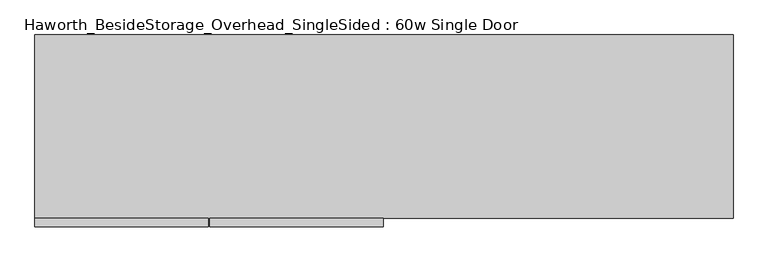
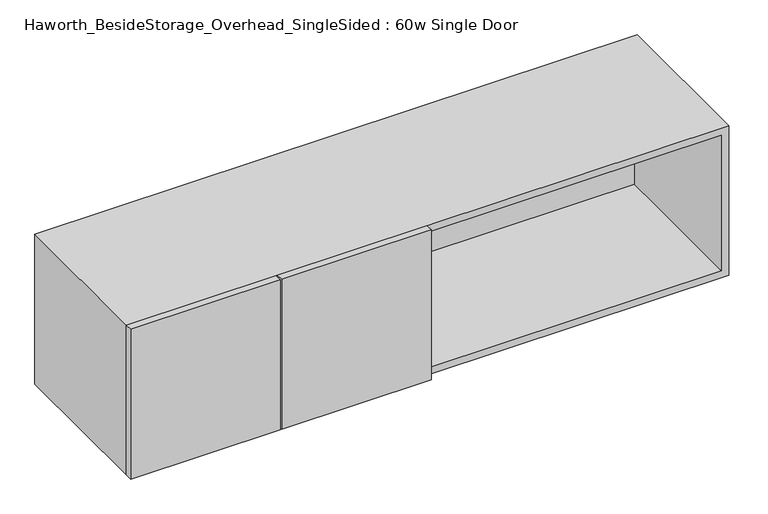
"""IFC4 building model written with IfcOpenShell, lengths in millimetres: furniture geometry, Haworth_BesideStorage_Overhead_SingleSided : 60w Single Door."""

from ifc_helpers import new_model, si_unit, frame, origin, place, context, project, spatial, polyline, outline, extrude, source, transform, mapped, element, save


def haworth_besidestorage_overhead_singlesided_60w_single_door_8c02ebce(model_context):
    return source(origin(), model_context, "Body", "SweptSolid", [
        extrude(outline(polyline([(-215.10625, -419.1), (-215.10625, -400.05), (163.5125, -400.05), (163.5125, -419.1), (-215.10625, -419.1)])), frame((0.0, 0.0, 762.0), z_axis=(0.0, 0.0, 1.0), x_axis=(1.0, 0.0, 0.0)), (0.0, 0.0, 1.0), 400.05),
        extrude(outline(polyline([(-218.28125, -419.1), (-596.9, -419.1), (-596.9, -400.05), (-218.28125, -400.05), (-218.28125, -419.1)])), frame((0.0, 0.0, 762.0), z_axis=(0.0, 0.0, 1.0), x_axis=(1.0, 0.0, 0.0)), (0.0, 0.0, 1.0), 400.05),
        extrude(outline(polyline([(174.625, -400.05), (155.575, -400.05), (155.575, -19.05), (174.625, -19.05), (174.625, -400.05)])), frame((0.0, 0.0, 781.05), z_axis=(0.0, 0.0, 1.0), x_axis=(1.0, 0.0, 0.0)), (0.0, 0.0, 1.0), 361.95),
        extrude(outline(polyline([(908.05, -19.05), (-577.85, -19.05), (-577.85, 0.0), (908.05, 0.0), (908.05, -19.05)])), frame((0.0, 0.0, 781.05), z_axis=(0.0, 0.0, 1.0), x_axis=(1.0, 0.0, 0.0)), (0.0, 0.0, 1.0), 361.95),
        extrude(outline(polyline([(762.0, 927.1), (1162.05, 927.1), (1162.05, -596.9), (762.0, -596.9), (762.0, 927.1)]), holes=[polyline([(1143.0, 908.05), (781.05, 908.05), (781.05, -577.85), (1143.0, -577.85), (1143.0, 908.05)])]), frame((0.0, -400.05, 0.0), z_axis=(0.0, 1.0, 0.0), x_axis=(0.0, 0.0, 1.0)), (0.0, 0.0, 1.0), 400.05),
    ])


if __name__ == "__main__":
    model = new_model("IFC4")
    model_context = context("Model", 3, world=origin())
    ifc_project = project(units=[si_unit("LENGTHUNIT", "METRE", prefix="MILLI")], contexts=[model_context])
    site = spatial("IfcSite", under=ifc_project)
    building = spatial("IfcBuilding", under=site)
    placement = place(None, origin())
    haworth_besidestorage_overhead_singlesided_60w_single_door_shape = haworth_besidestorage_overhead_singlesided_60w_single_door_8c02ebce(model_context)
    element("IfcFurniture", 1, ObjectType="Haworth_BesideStorage_Overhead_SingleSided : 60w Single Door", at=placement, inside=building, context=model_context, shape_type="MappedRepresentation", body=[
        mapped(haworth_besidestorage_overhead_singlesided_60w_single_door_shape, transform((0.0, 0.0, 0.0), x_axis=(1.0, 0.0, 0.0), y_axis=(0.0, 1.0, 0.0), z_axis=(0.0, 0.0, 1.0))),
    ])
    save(model, "model.ifc")
